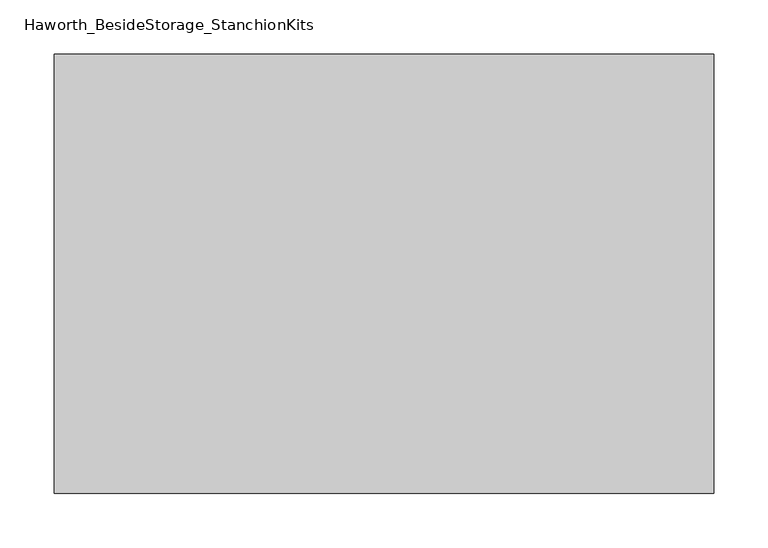
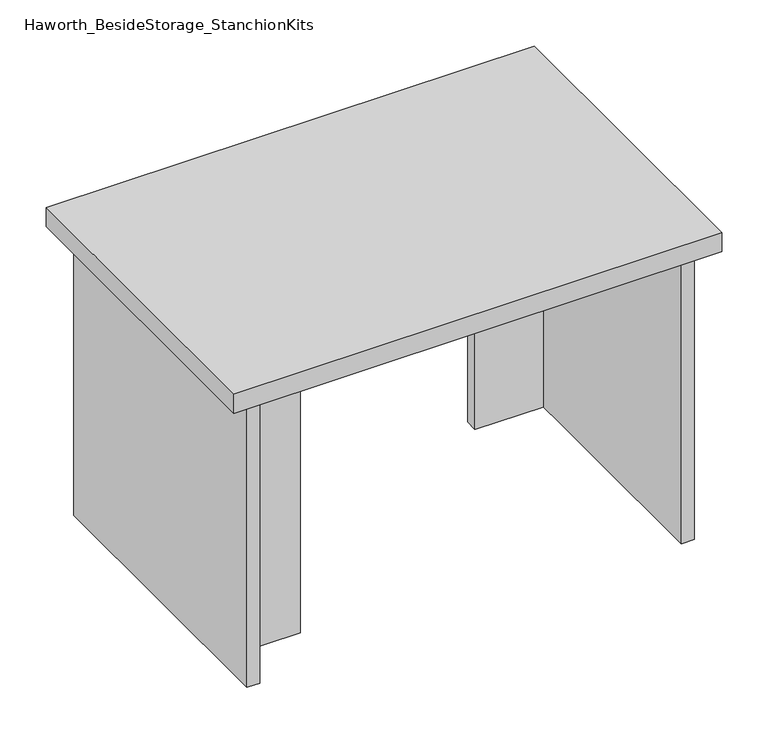
"""IFC4 building model written with IfcOpenShell, lengths in millimetres: furniture geometry, Haworth_BesideStorage_StanchionKits."""

from ifc_helpers import new_model, si_unit, frame, origin, place, context, project, spatial, polyline, outline, extrude, source, transform, mapped, element, save


def haworth_besidestorage_stanchionkits_1038854f(model_context):
    return source(origin(), model_context, "Body", "SweptSolid", [
        extrude(outline(polyline([(466.725, 0.0), (466.725, -406.4), (-142.875, -406.4), (-142.875, 0.0), (466.725, 0.0)])), frame((0.0, 0.0, 812.8), z_axis=(0.0, 0.0, 1.0), x_axis=(1.0, 0.0, 0.0)), (0.0, 0.0, 1.0), 25.4),
        extrude(outline(polyline([(339.725, -76.2), (425.45, -76.2), (425.45, -92.075), (339.725, -92.075), (339.725, -76.2)])), frame((0.0, 0.0, 431.8), z_axis=(0.0, 0.0, 1.0), x_axis=(1.0, 0.0, 0.0)), (0.0, 0.0, 1.0), 381.0),
        extrude(outline(polyline([(-15.875, -314.325), (-15.875, -330.2), (-101.6, -330.2), (-101.6, -314.325), (-15.875, -314.325)])), frame((0.0, 0.0, 431.8), z_axis=(0.0, 0.0, 1.0), x_axis=(1.0, 0.0, 0.0)), (0.0, 0.0, 1.0), 381.0),
        extrude(outline(polyline([(441.325, -390.525), (425.45, -390.525), (425.45, -15.875), (441.325, -15.875), (441.325, -390.525)])), frame((0.0, 0.0, 431.8), z_axis=(0.0, 0.0, 1.0), x_axis=(1.0, 0.0, 0.0)), (0.0, 0.0, 1.0), 381.0),
        extrude(outline(polyline([(-101.6, -390.525), (-117.475, -390.525), (-117.475, -15.875), (-101.6, -15.875), (-101.6, -390.525)])), frame((0.0, 0.0, 431.8), z_axis=(0.0, 0.0, 1.0), x_axis=(1.0, 0.0, 0.0)), (0.0, 0.0, 1.0), 381.0),
    ])


if __name__ == "__main__":
    model = new_model("IFC4")
    model_context = context("Model", 3, world=origin())
    ifc_project = project(units=[si_unit("LENGTHUNIT", "METRE", prefix="MILLI")], contexts=[model_context])
    site = spatial("IfcSite", under=ifc_project)
    building = spatial("IfcBuilding", under=site)
    placement = place(None, origin())
    haworth_besidestorage_stanchionkits_shape = haworth_besidestorage_stanchionkits_1038854f(model_context)
    element("IfcFurniture", 1, ObjectType="Haworth_BesideStorage_StanchionKits", at=placement, inside=building, context=model_context, shape_type="MappedRepresentation", body=[
        mapped(haworth_besidestorage_stanchionkits_shape, transform((0.0, 0.0, 0.0), x_axis=(1.0, 0.0, 0.0), y_axis=(0.0, 1.0, 0.0), z_axis=(0.0, 0.0, 1.0))),
    ])
    save(model, "model.ifc")
